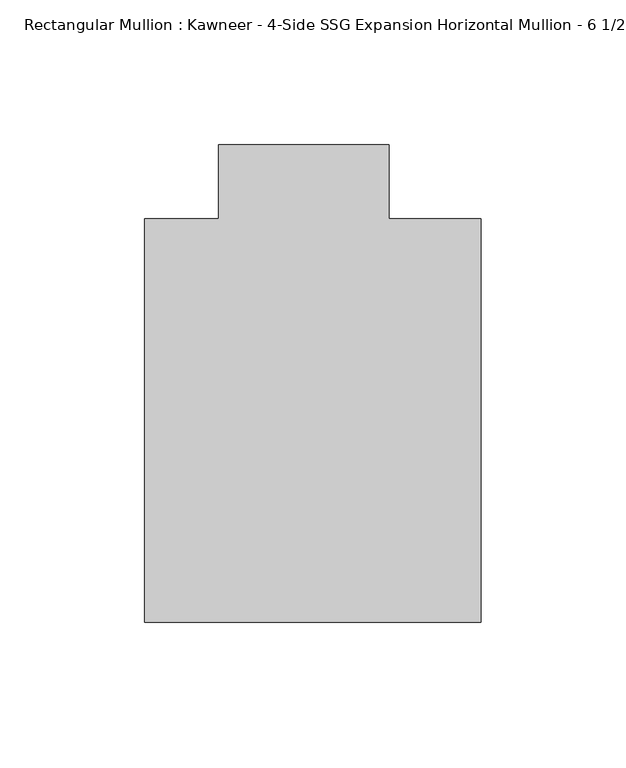
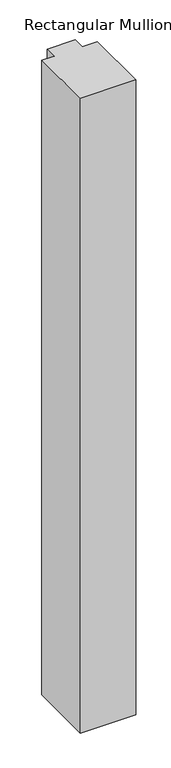
"""IFC4 building model written with IfcOpenShell, lengths in millimetres: member geometry."""

from ifc_helpers import new_model, si_unit, frame, origin, place, context, project, spatial, polyline, outline, extrude, source, transform, mapped, element, save


def member_701f41a8(model_context):
    return source(origin(), model_context, "Body", "SweptSolid", [
        extrude(outline(polyline([(-62.2957636, -151.892), (-62.2957636, -12.7), (-36.8958768, -12.7), (-36.8958768, 12.7), (21.8651592, 12.7), (21.8651592, -12.7), (53.615046, -12.7), (53.615046, -151.892), (-62.2957636, -151.892)])), frame((0.0, 0.0, -1405.3900547), z_axis=(0.0, 0.0, 1.0), x_axis=(1.0, 0.0, 0.0)), (0.0, 0.0, 1.0), 1405.3900547),
    ])


if __name__ == "__main__":
    model = new_model("IFC4")
    model_context = context("Model", 3, world=origin())
    ifc_project = project(units=[si_unit("LENGTHUNIT", "METRE", prefix="MILLI")], contexts=[model_context])
    site = spatial("IfcSite", under=ifc_project)
    building = spatial("IfcBuilding", under=site)
    placement = place(None, origin())
    member_shape = member_701f41a8(model_context)
    element("IfcMember", 1, ObjectType="Rectangular Mullion : Kawneer - 4-Side SSG Expansion Horizontal Mullion - 6 1/2\"", at=placement, inside=building, context=model_context, shape_type="MappedRepresentation", body=[
        mapped(member_shape, transform((0.0, 0.0, 0.0), x_axis=(1.0, 0.0, 0.0), y_axis=(0.0, 1.0, 0.0), z_axis=(0.0, 0.0, 1.0))),
    ])
    save(model, "model.ifc")
